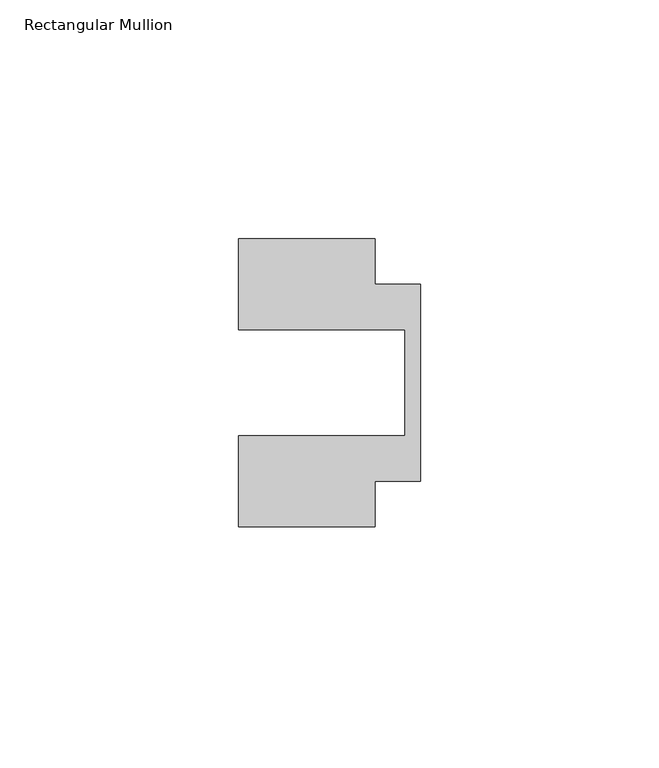
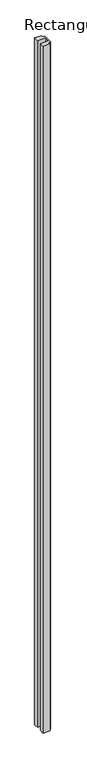
"""IFC4 building model written with IfcOpenShell, lengths in millimetres: member geometry, Rectangular Mullion."""

import ifcopenshell
import ifcopenshell.guid

model = None  # the IFC model being written
_history = None  # IfcOwnerHistory: only IFC2X3 demands one
_inside = {}  # id of a spatial element -> (the spatial element, [elements in it])
_under = {}  # id of a project, library or spatial element -> (it, [spatial elements below it])
_declared = {}  # id of a project -> (the project, [libraries it declares])
_typed = {}  # id of a type object -> (the type object, [elements of that type])
_made_of = {}  # id of a material, layer set ... -> (it, [elements and type objects made of it])


def new_model(schema):
    """Start an empty IFC model of exactly this schema.

    Asked for "IFC4X3", IfcOpenShell would pick the latest addendum, in which some entities
    have other attributes; the version numbers below select the first issue.
    IFC2X3 requires an IfcOwnerHistory on every rooted entity: one is made here for all.
    """
    global model, _history
    if schema == "IFC4X3":
        model = ifcopenshell.file(schema_version=(4, 3, 0, 0))
    else:
        model = ifcopenshell.file(schema=schema)
    _inside.clear()
    _under.clear()
    _declared.clear()
    _typed.clear()
    _made_of.clear()
    _history = None
    if model.schema == "IFC2X3":
        org = make("IfcOrganization", Name="unknown")
        user = make(
            "IfcPersonAndOrganization",
            ThePerson=make("IfcPerson", FamilyName="unknown"),
            TheOrganization=org,
        )
        app = make(
            "IfcApplication",
            ApplicationDeveloper=org,
            Version="unknown",
            ApplicationFullName="unknown",
            ApplicationIdentifier="unknown",
        )
        _history = make(
            "IfcOwnerHistory",
            OwningUser=user,
            OwningApplication=app,
            ChangeAction="ADDED",
            CreationDate=0,
        )
    return model


def make(cls, **values):
    """One entity of the class cls with the attributes given. An attribute that is None is left unset."""
    return model.create_entity(
        cls, **{name: value for name, value in values.items() if value is not None}
    )


def rooted(cls, **values):
    """An entity with a GlobalId (a new one), such as an element, a storey or a relation."""
    return make(cls, GlobalId=ifcopenshell.guid.new(), OwnerHistory=_history, **values)


def si_unit(unit_type, name, prefix=None):
    """IfcSIUnit, for example si_unit("LENGTHUNIT", "METRE", prefix="MILLI")."""
    return make("IfcSIUnit", UnitType=unit_type, Prefix=prefix, Name=name)


def assignment(units):
    """IfcUnitAssignment: the units of a project."""
    return None if units is None else make("IfcUnitAssignment", Units=units)


def point(xyz):
    """IfcCartesianPoint."""
    return None if xyz is None else make("IfcCartesianPoint", Coordinates=xyz)


def direction(xyz):
    """IfcDirection."""
    return None if xyz is None else make("IfcDirection", DirectionRatios=xyz)


def frame(location, z_axis=None, x_axis=None):
    """IfcAxis2Placement3D, a coordinate frame: its origin and axes. An axis left out is left unset."""
    return make(
        "IfcAxis2Placement3D",
        Location=point(location),
        Axis=direction(z_axis),
        RefDirection=direction(x_axis),
    )


def origin():
    """The frame at (0, 0, 0) with its axes left unset."""
    return frame((0.0, 0.0, 0.0))


def place(relative_to, where):
    """IfcLocalPlacement: puts the frame where relative to a parent placement (None: the world)."""
    return make(
        "IfcLocalPlacement", PlacementRelTo=relative_to, RelativePlacement=where
    )


def context(
    kind, dimensions, precision=None, world=None, true_north=None, identifier=None
):
    """IfcGeometricRepresentationContext, for example the 3D "Model" context."""
    return make(
        "IfcGeometricRepresentationContext",
        ContextIdentifier=identifier,
        ContextType=kind,
        CoordinateSpaceDimension=dimensions,
        Precision=precision,
        WorldCoordinateSystem=world,
        TrueNorth=true_north,
    )


def project(units=None, contexts=None):
    """IfcProject with its units and contexts."""
    return rooted(
        "IfcProject",
        Name="project",
        RepresentationContexts=contexts,
        UnitsInContext=assignment(units),
    )


def spatial(cls, under=None, at=None, **own):
    """A site, building, storey or space (cls), placed at a placement, below another one or the project."""
    s = rooted(cls, ObjectPlacement=at, **own)
    if under is not None:
        _under.setdefault(under.id(), (under, []))[1].append(s)
    return s


def polyline(points):
    """IfcPolyline through the points."""
    return make("IfcPolyline", Points=[point(p) for p in points])


def outline(outer, holes=None, kind="AREA"):
    """IfcArbitraryClosedProfileDef: a profile drawn as a closed curve; with holes, ...WithVoids."""
    if holes is None:
        return make("IfcArbitraryClosedProfileDef", ProfileType=kind, OuterCurve=outer)
    return make(
        "IfcArbitraryProfileDefWithVoids",
        ProfileType=kind,
        OuterCurve=outer,
        InnerCurves=holes,
    )


def extrude(swept, where, along, depth):
    """IfcExtrudedAreaSolid: the profile swept, set in the frame where, extruded along a direction by depth."""
    return make(
        "IfcExtrudedAreaSolid",
        SweptArea=swept,
        Position=where,
        ExtrudedDirection=direction(along),
        Depth=depth,
    )


def shape(context_of_items, identifier, shape_type, items):
    """IfcShapeRepresentation: the items that make up one representation, for example the "Body"."""
    return make(
        "IfcShapeRepresentation",
        ContextOfItems=context_of_items,
        RepresentationIdentifier=identifier,
        RepresentationType=shape_type,
        Items=items,
    )


def source(mapping_origin, context_of_items, identifier, shape_type, items):
    """IfcRepresentationMap: a shape defined once, which mapped items show again and again."""
    return make(
        "IfcRepresentationMap",
        MappingOrigin=mapping_origin,
        MappedRepresentation=shape(context_of_items, identifier, shape_type, items),
    )


def transform(
    local_origin,
    x_axis=None,
    y_axis=None,
    z_axis=None,
    scale=None,
    scale2=None,
    scale3=None,
    uniform=True,
):
    """IfcCartesianTransformationOperator3D, or its non-uniform kind. x_axis, y_axis, z_axis: its Axis1, 2, 3."""
    if uniform:
        return make(
            "IfcCartesianTransformationOperator3D",
            Axis1=direction(x_axis),
            Axis2=direction(y_axis),
            LocalOrigin=point(local_origin),
            Scale=scale,
            Axis3=direction(z_axis),
        )
    return make(
        "IfcCartesianTransformationOperator3DnonUniform",
        Axis1=direction(x_axis),
        Axis2=direction(y_axis),
        LocalOrigin=point(local_origin),
        Scale=scale,
        Axis3=direction(z_axis),
        Scale2=scale2,
        Scale3=scale3,
    )


def mapped(mapping_source, mapping_target):
    """IfcMappedItem: shows the shape of a source again, moved by a transform."""
    return make(
        "IfcMappedItem", MappingSource=mapping_source, MappingTarget=mapping_target
    )


def made_of(thing, what):
    """Note that an element or type object is made of a material, layer set ...; save() writes the relation."""
    if what is not None:
        _made_of.setdefault(what.id(), (what, []))[1].append(thing)
    return thing


def element(
    cls,
    number,
    at=None,
    inside=None,
    cuts=None,
    type_object=None,
    material=None,
    context=None,
    identifier="Body",
    shape_type=None,
    held_by="IfcProductDefinitionShape",
    body=None,
    shapes=None,
    **own,
):
    """One element of the class cls, such as IfcWall. Its Tag is "e" and its number.

    at: its placement. inside: the storey or other place that contains it. cuts: it is an
    opening in that element (IfcRelVoidsElement). A single representation is given by context,
    identifier, shape_type and body (its items); several are given by shapes. held_by: the class
    of the entity that holds the representations. save() writes the other relations.
    """
    e = rooted(cls, Tag="e%d" % number, ObjectPlacement=at, **own)
    if body is not None:
        shapes = [shape(context, identifier, shape_type, body)]
    if shapes is not None:
        e.Representation = make(held_by, Representations=shapes)
    if inside is not None:
        _inside.setdefault(inside.id(), (inside, []))[1].append(e)
    if cuts is not None:
        rooted(
            "IfcRelVoidsElement", RelatingBuildingElement=cuts, RelatedOpeningElement=e
        )
    if type_object is not None:
        _typed.setdefault(type_object.id(), (type_object, []))[1].append(e)
    return made_of(e, material)


def aggregate(whole, parts):
    """IfcRelAggregates: a whole, such as a stair, and the parts it consists of."""
    return rooted("IfcRelAggregates", RelatingObject=whole, RelatedObjects=parts)


def save(model, path):
    """Write the relations noted so far, then the file.

    IfcRelAggregates (storeys below a building ...), IfcRelContainedInSpatialStructure (elements
    in a storey), IfcRelDefinesByType, IfcRelAssociatesMaterial and IfcRelDeclares: one each for
    every whole, place, type object, material and project.
    """
    for whole, parts in _under.values():
        aggregate(whole, parts)
    for where, things in _inside.values():
        rooted(
            "IfcRelContainedInSpatialStructure",
            RelatedElements=things,
            RelatingStructure=where,
        )
    for kind, things in _typed.values():
        rooted("IfcRelDefinesByType", RelatedObjects=things, RelatingType=kind)
    for what, things in _made_of.values():
        rooted("IfcRelAssociatesMaterial", RelatedObjects=things, RelatingMaterial=what)
    for by, libraries in _declared.values():
        rooted("IfcRelDeclares", RelatingContext=by, RelatedDefinitions=libraries)
    model.write(path)


def rectangular_mullion_02039585(model_context):
    return source(origin(), model_context, "Body", "SweptSolid", [
        extrude(outline(polyline([(-38.1, 11.1125), (-38.1, 30.1625), (-9.525, 30.1625), (-9.525, 20.6375), (0.0, 20.6375), (0.0, -20.6375), (-9.525, -20.6375), (-9.525, -30.1625), (-38.1, -30.1625), (-38.1, -11.1125), (-3.175, -11.1125), (-3.175, 11.1125), (-38.1, 11.1125)])), frame((0.0, 0.0, -3048.0), z_axis=(0.0, 0.0, 1.0), x_axis=(1.0, 0.0, 0.0)), (0.0, 0.0, 1.0), 3048.0),
    ])


if __name__ == "__main__":
    model = new_model("IFC4")
    model_context = context("Model", 3, world=origin())
    ifc_project = project(units=[si_unit("LENGTHUNIT", "METRE", prefix="MILLI")], contexts=[model_context])
    site = spatial("IfcSite", under=ifc_project)
    building = spatial("IfcBuilding", under=site)
    placement = place(None, origin())
    rectangular_mullion_shape = rectangular_mullion_02039585(model_context)
    element("IfcMember", 1, ObjectType="Rectangular Mullion", at=placement, inside=building, context=model_context, shape_type="MappedRepresentation", body=[
        mapped(rectangular_mullion_shape, transform((0.0, 0.0, 0.0), x_axis=(1.0, 0.0, 0.0), y_axis=(0.0, 1.0, 0.0), z_axis=(0.0, 0.0, 1.0))),
    ])
    save(model, "model.ifc")
